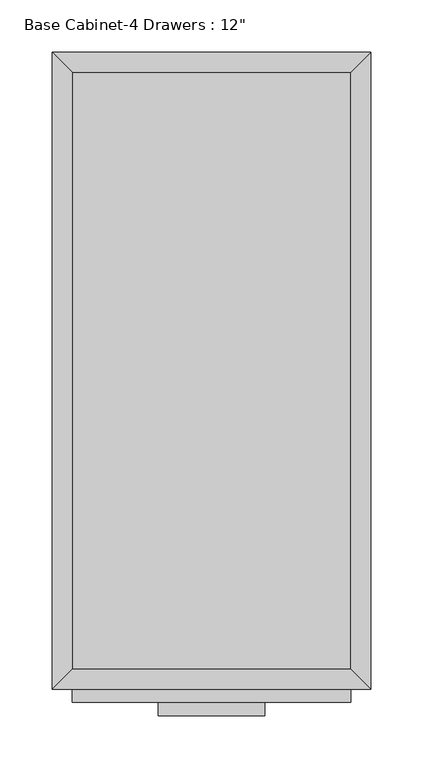
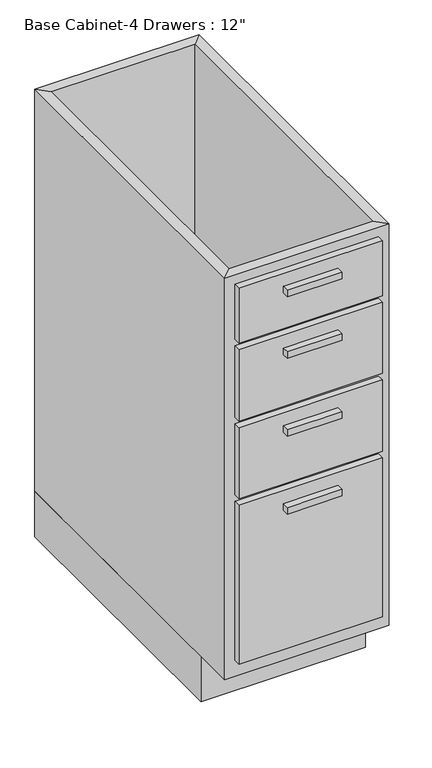
"""IFC4 building model written with IfcOpenShell, lengths in millimetres: furniture geometry."""

from ifc_helpers import new_model, si_unit, frame, origin, origin_with_axes, place, context, project, spatial, polyline, outline, extrude, faceted_brep, source, transform, mapped, element, save


def furniture_03bd3035(model_context):
    return source(origin(), model_context, "Body", "SolidModel", [
        extrude(outline(polyline([(69.5377049, -635.0), (-32.0622951, -635.0), (-32.0622951, -622.3), (69.5377049, -622.3), (69.5377049, -635.0)])), frame((0.0, 0.0, 819.15), z_axis=(0.0, 0.0, 1.0), x_axis=(1.0, 0.0, 0.0)), (0.0, 0.0, 1.0), 12.7),
        extrude(outline(polyline([(69.5377049, -635.0), (-32.0622951, -635.0), (-32.0622951, -622.3), (69.5377049, -622.3), (69.5377049, -635.0)])), frame((0.0, 0.0, 698.5), z_axis=(0.0, 0.0, 1.0), x_axis=(1.0, 0.0, 0.0)), (0.0, 0.0, 1.0), 12.7),
        extrude(outline(polyline([(69.5377049, -635.0), (-32.0622951, -635.0), (-32.0622951, -622.3), (69.5377049, -622.3), (69.5377049, -635.0)])), frame((0.0, 0.0, 546.1), z_axis=(0.0, 0.0, 1.0), x_axis=(1.0, 0.0, 0.0)), (0.0, 0.0, 1.0), 12.7),
        extrude(outline(polyline([(69.5377049, -635.0), (-32.0622951, -635.0), (-32.0622951, -622.3), (69.5377049, -622.3), (69.5377049, -635.0)])), frame((0.0, 0.0, 393.7), z_axis=(0.0, 0.0, 1.0), x_axis=(1.0, 0.0, 0.0)), (0.0, 0.0, 1.0), 12.7),
        extrude(outline(polyline([(152.0877049, -622.3), (-114.6122951, -622.3), (-114.6122951, -609.6), (152.0877049, -609.6), (152.0877049, -622.3)])), frame((0.0, 0.0, 749.3), z_axis=(0.0, 0.0, 1.0), x_axis=(1.0, 0.0, 0.0)), (0.0, 0.0, 1.0), 107.95),
        extrude(outline(polyline([(152.0877049, -622.3), (-114.6122951, -622.3), (-114.6122951, -609.6), (152.0877049, -609.6), (152.0877049, -622.3)])), frame((0.0, 0.0, 596.9), z_axis=(0.0, 0.0, 1.0), x_axis=(1.0, 0.0, 0.0)), (0.0, 0.0, 1.0), 139.7),
        extrude(outline(polyline([(152.0877049, -622.3), (-114.6122951, -622.3), (-114.6122951, -609.6), (152.0877049, -609.6), (152.0877049, -622.3)])), frame((0.0, 0.0, 444.5), z_axis=(0.0, 0.0, 1.0), x_axis=(1.0, 0.0, 0.0)), (0.0, 0.0, 1.0), 139.7),
        extrude(outline(polyline([(152.0877049, -622.3), (-114.6122951, -622.3), (-114.6122951, -609.6), (152.0877049, -609.6), (152.0877049, -622.3)])), frame((0.0, 0.0, 120.65), z_axis=(0.0, 0.0, 1.0), x_axis=(1.0, 0.0, 0.0)), (0.0, 0.0, 1.0), 311.15),
        extrude(outline(polyline([(152.0877049, -19.05), (152.0877049, -590.55), (-114.6122951, -590.55), (-114.6122951, -19.05), (152.0877049, -19.05)])), frame((0.0, 0.0, 88.9), z_axis=(0.0, 0.0, 1.0), x_axis=(1.0, 0.0, 0.0)), (0.0, 0.0, 1.0), 19.05),
        faceted_brep([(152.0877049, -590.55, 876.3), (152.0877049, -590.55, 88.9), (-114.6122951, -590.55, 88.9), (-114.6122951, -590.55, 876.3), (171.1377049, -609.6, 876.3), (-133.6622951, -609.6, 876.3), (171.1377049, -609.6, 88.9), (-133.6622951, -609.6, 88.9), (-114.6122951, -19.05, 88.9), (-114.6122951, -19.05, 876.3), (-133.6622951, 0.0, 876.3), (-133.6622951, 0.0, 88.9), (152.0877049, -19.05, 88.9), (152.0877049, -19.05, 876.3), (171.1377049, 0.0, 876.3), (171.1377049, 0.0, 88.9)], [[[0, 1, 2, 3]], [[4, 0, 3, 5]], [[6, 4, 5, 7]], [[1, 6, 7, 2]], [[3, 2, 8, 9]], [[5, 3, 9, 10]], [[7, 5, 10, 11]], [[2, 7, 11, 8]], [[9, 8, 12, 13]], [[10, 9, 13, 14]], [[11, 10, 14, 15]], [[8, 11, 15, 12]], [[13, 12, 1, 0]], [[14, 13, 0, 4]], [[15, 14, 4, 6]], [[12, 15, 6, 1]]]),
        extrude(outline(polyline([(171.1377049, 0.0), (171.1377049, -533.4), (-133.6622951, -533.4), (-133.6622951, 0.0), (171.1377049, 0.0)])), origin_with_axes(), (0.0, 0.0, 1.0), 88.9),
    ])


if __name__ == "__main__":
    model = new_model("IFC4")
    model_context = context("Model", 3, world=origin())
    ifc_project = project(units=[si_unit("LENGTHUNIT", "METRE", prefix="MILLI")], contexts=[model_context])
    site = spatial("IfcSite", under=ifc_project)
    building = spatial("IfcBuilding", under=site)
    placement = place(None, origin())
    furniture_shape = furniture_03bd3035(model_context)
    element("IfcFurniture", 1, ObjectType="Base Cabinet-4 Drawers : 12\"", at=placement, inside=building, context=model_context, shape_type="MappedRepresentation", body=[
        mapped(furniture_shape, transform((0.0, 0.0, 0.0), x_axis=(1.0, 0.0, 0.0), y_axis=(0.0, 1.0, 0.0), z_axis=(0.0, 0.0, 1.0))),
    ])
    save(model, "model.ifc")
